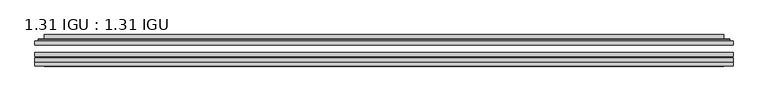
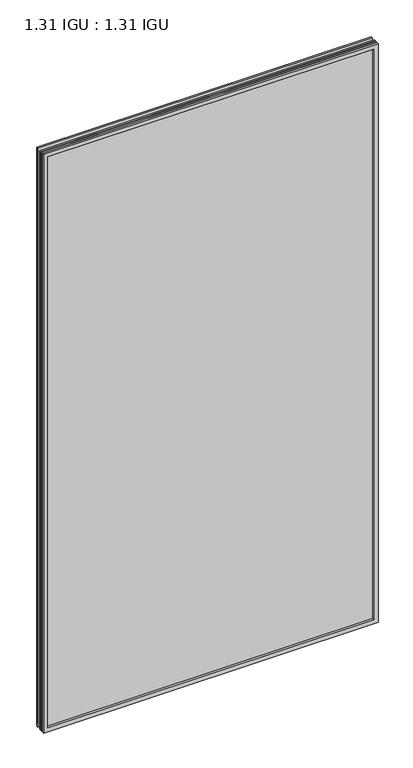
"""IFC4 building model written with IfcOpenShell, lengths in millimetres: plate geometry, 1.31 IGU : 1.31 IGU."""

from ifc_helpers import new_model, si_unit, frame, origin, place, context, project, spatial, polyline, ellipse_curve, outline, extrude, faceted_brep, source, transform, mapped, element, save
from ifc_brep_helpers import plane_surface, cylinder_surface, advanced_brep


def plate_1_31_igu_1_31_igu_55e64a05(model_context):
    return source(origin(), model_context, "Body", "SolidModel", [
        extrude(outline(polyline([(549.289175, -63.59525), (549.289175, -69.94525), (-549.275, -69.94525), (-549.275, -63.59525), (549.289175, -63.59525)])), frame((0.0, 0.0, -14.2875), z_axis=(0.0, 0.0, 1.0), x_axis=(1.0, 0.0, 0.0)), (0.0, 0.0, 1.0), 2009.8015278),
        extrude(outline(polyline([(-549.275, -78.58125), (-549.275, -72.230745), (549.289175, -72.230745), (549.289175, -78.58125), (-549.275, -78.58125)])), frame((0.0, 0.0, -14.2875), z_axis=(0.0, 0.0, 1.0), x_axis=(1.0, 0.0, 0.0)), (0.0, 0.0, 1.0), 2009.8015278),
        extrude(outline(polyline([(549.289175, -45.25645), (549.289175, -51.60645), (-549.275, -51.60645), (-549.275, -45.25645), (549.289175, -45.25645)])), frame((0.0, 0.0, -14.2875), z_axis=(0.0, 0.0, 1.0), x_axis=(1.0, 0.0, 0.0)), (0.0, 0.0, 1.0), 2009.8015278),
        faceted_brep([(-549.2877, -84.93125, 1995.5229299), (-549.2877, -78.58125, 1995.5229299), (-549.2877, -78.58125, -14.3002), (-549.2877, -84.93125, -14.3002), (549.2877, -78.58125, -14.3002), (549.2877, -84.93125, -14.3002), (549.2877, -78.58125, 1995.5229299), (549.2877, -84.93125, 1995.5229299), (-534.0897559, -78.58125, 0.8977441), (534.0897559, -78.58125, 0.8977441), (534.0897559, -78.58125, 1980.3249858), (-534.0897559, -78.58125, 1980.3249858), (-534.9821902, -84.93125, 1981.2174201), (534.9821902, -84.93125, 1981.2174201), (534.9821902, -84.93125, 0.0053098), (-534.9821902, -84.93125, 0.0053098)], [[[0, 1, 2, 3]], [[3, 2, 4, 5]], [[5, 4, 6, 7]], [[1, 6, 4, 2], [8, 9, 10, 11]], [[7, 6, 1, 0]], [[3, 5, 7, 0], [12, 13, 14, 15]], [[11, 12, 15, 8]], [[8, 15, 14, 9]], [[9, 14, 13, 10]], [[10, 13, 12, 11]]]),
        advanced_brep(
        [(-542.033719, -45.25645, 1988.2689489), (-544.3879244, -43.2667833, 1990.6231543), (-544.3879244, -43.2667833, -9.4004244), (-542.033719, -45.25645, -7.046219), (-532.9593939, -41.416413, 1979.1946238), (-528.0245621, -45.25645, 1974.2597919), (-528.0245621, -45.25645, 6.9629379), (-532.9593939, -41.416413, 2.0281061), (-533.9914217, -36.0191819, 1980.2266515), (-533.9914217, -36.0191819, 0.9960783), (-534.9820784, -35.6202069, 1981.2173083), (-534.9820784, -35.6202069, 0.0054216), (-534.9820784, -42.08145, 1981.2173083), (-534.9820784, -42.08145, 0.0054216), (-543.3861349, -42.08145, 1989.6213648), (-543.3861349, -42.08145, -8.3986349), (544.3879244, -43.2667833, -9.4004244), (542.033719, -45.25645, -7.046219), (528.0245621, -45.25645, 6.9629379), (532.9593939, -41.416413, 2.0281061), (533.9914217, -36.0191819, 0.9960783), (534.9820784, -35.6202069, 0.0054216), (534.9820784, -42.08145, 0.0054216), (543.3861349, -42.08145, -8.3986349), (544.3879244, -43.2667833, 1990.6231543), (542.033719, -45.25645, 1988.2689489), (528.0245621, -45.25645, 1974.2597919), (532.9593939, -41.416413, 1979.1946238), (533.9914217, -36.0191819, 1980.2266515), (534.9820784, -35.6202069, 1981.2173083), (534.9820784, -42.08145, 1981.2173083), (543.3861349, -42.08145, 1989.6213648)],
        [
            (0, 1, ellipse_curve(frame((-542.033719, -42.86885, 1988.2689489), z_axis=(-0.7071067811865475, 0.0, -0.7071067811865475), x_axis=(-0.7071067811865474, 0.0, 0.7071067811865476)), 3.3765763, 2.3876)),
            (1, 2),
            (2, 3, ellipse_curve(frame((-542.033719, -42.86885, -7.046219), z_axis=(-0.7071067811865475, 0.0, 0.7071067811865475), x_axis=(0.7071067811865474, 0.0, 0.7071067811865476)), 3.3765763, 2.3876)),
            (3, 0),
            (4, 5),
            (5, 6),
            (6, 7),
            (7, 4),
            (8, 4),
            (7, 9),
            (9, 8),
            (10, 8, ellipse_curve(frame((-534.6151219, -36.1384423, 1980.8503517), z_axis=(-0.7071067811865475, 0.0, -0.7071067811865475), x_axis=(-0.7071067811865474, 0.0, 0.7071067811865476)), 0.8980256, 0.635)),
            (9, 11, ellipse_curve(frame((-534.6151219, -36.1384423, 0.3723781), z_axis=(-0.7071067811865475, 0.0, 0.7071067811865475), x_axis=(0.7071067811865474, 0.0, 0.7071067811865476)), 0.8980256, 0.635)),
            (11, 10),
            (12, 10),
            (11, 13),
            (13, 12),
            (1, 14, ellipse_curve(frame((-543.3861349, -43.09745, 1989.6213648), z_axis=(-0.7071067811865475, 0.0, -0.7071067811865475), x_axis=(-0.7071067811865474, 0.0, 0.7071067811865476)), 1.436841, 1.016)),
            (14, 15),
            (15, 2, ellipse_curve(frame((-543.3861349, -43.09745, -8.3986349), z_axis=(-0.7071067811865475, 0.0, 0.7071067811865475), x_axis=(0.7071067811865474, 0.0, 0.7071067811865476)), 1.436841, 1.016)),
            (2, 16),
            (16, 17, ellipse_curve(frame((542.033719, -42.86885, -7.046219), z_axis=(-0.7071067811865475, 0.0, -0.7071067811865475), x_axis=(-0.7071067811865476, 0.0, 0.7071067811865474)), 3.3765763, 2.3876)),
            (17, 3),
            (6, 18),
            (18, 19),
            (19, 7),
            (19, 20),
            (20, 9),
            (20, 21, ellipse_curve(frame((534.6151219, -36.1384423, 0.3723781), z_axis=(-0.7071067811865475, 0.0, -0.7071067811865475), x_axis=(-0.7071067811865476, 0.0, 0.7071067811865474)), 0.8980256, 0.635)),
            (21, 11),
            (21, 22),
            (22, 13),
            (15, 23),
            (23, 16, ellipse_curve(frame((543.3861349, -43.09745, -8.3986349), z_axis=(-0.7071067811865475, 0.0, -0.7071067811865475), x_axis=(-0.7071067811865476, 0.0, 0.7071067811865474)), 1.436841, 1.016)),
            (16, 24),
            (24, 25, ellipse_curve(frame((542.033719, -42.86885, 1988.2689489), z_axis=(0.7071067811865475, 0.0, -0.7071067811865475), x_axis=(-0.7071067811865474, 0.0, -0.7071067811865476)), 3.3765763, 2.3876)),
            (25, 17),
            (18, 26),
            (26, 27),
            (27, 19),
            (27, 28),
            (28, 20),
            (28, 29, ellipse_curve(frame((534.6151219, -36.1384423, 1980.8503517), z_axis=(0.7071067811865475, 0.0, -0.7071067811865475), x_axis=(-0.7071067811865474, 0.0, -0.7071067811865476)), 0.8980256, 0.635)),
            (29, 21),
            (29, 30),
            (30, 22),
            (23, 31),
            (31, 24, ellipse_curve(frame((543.3861349, -43.09745, 1989.6213648), z_axis=(0.7071067811865475, 0.0, -0.7071067811865475), x_axis=(-0.7071067811865474, 0.0, -0.7071067811865476)), 1.436841, 1.016)),
            (24, 1),
            (0, 25),
            (5, 26),
            (4, 27),
            (8, 28),
            (10, 29),
            (12, 30),
            (14, 31),
        ],
        [
            cylinder_surface(frame((-542.033719, -42.86885, 2012.9727299), z_axis=(0.0, 0.0, 1.0), x_axis=(-1.0, 0.0, 0.0)), 2.3876),
            plane_surface(frame((-528.0245621, -45.25645, 1974.2597919), z_axis=(0.6141233906514794, 0.7892100234124821, 0.0), x_axis=(0.0, 0.0, -1.0))),
            plane_surface(frame((-532.9593939, -41.416413, 1979.1946238), z_axis=(0.9822050625507729, 0.18781164793386076, 0.0), x_axis=(0.0, 0.0, -1.0))),
            cylinder_surface(frame((-534.6151219, -36.1384423, 2012.9727299), z_axis=(0.0, 0.0, 1.0), x_axis=(-1.0, 0.0, 0.0)), 0.635),
            plane_surface(frame((-534.9820784, -35.6202069, 1981.2173083), z_axis=(-1.0, 0.0, 0.0), x_axis=(0.0, 0.0, -1.0))),
            cylinder_surface(frame((-543.3861349, -43.09745, 2012.9727299), z_axis=(0.0, 0.0, 1.0), x_axis=(-1.0, 0.0, 0.0)), 1.016),
            cylinder_surface(frame((-566.7375, -42.86885, -7.046219), z_axis=(-1.0, 0.0, 0.0), x_axis=(0.0, 0.0, -1.0)), 2.3876),
            plane_surface(frame((-528.0245621, -45.25645, 6.9629379), z_axis=(0.0, 0.7892100234124841, 0.6141233906514768), x_axis=(1.0, 0.0, 0.0))),
            plane_surface(frame((-532.9593939, -41.416413, 2.0281061), z_axis=(0.0, 0.18781164793386393, 0.9822050625507723), x_axis=(1.0, 0.0, 0.0))),
            cylinder_surface(frame((-566.7375, -36.1384423, 0.3723781), z_axis=(-1.0, 0.0, 0.0), x_axis=(0.0, 0.0, -1.0)), 0.635),
            plane_surface(frame((-534.9820784, -35.6202069, 0.0054216), z_axis=(0.0, 0.0, -1.0), x_axis=(1.0, 0.0, 0.0))),
            cylinder_surface(frame((-566.7375, -43.09745, -8.3986349), z_axis=(-1.0, 0.0, 0.0), x_axis=(0.0, 0.0, -1.0)), 1.016),
            cylinder_surface(frame((542.033719, -42.86885, -31.75), z_axis=(0.0, 0.0, -1.0), x_axis=(1.0, 0.0, 0.0)), 2.3876),
            plane_surface(frame((528.0245621, -45.25645, 6.9629379), z_axis=(-0.6141233906514743, 0.7892100234124861, 0.0), x_axis=(0.0, 0.0, 1.0))),
            plane_surface(frame((532.9593939, -41.416413, 2.0281061), z_axis=(-0.9822050625507718, 0.1878116479338671, 0.0), x_axis=(0.0, 0.0, 1.0))),
            cylinder_surface(frame((534.6151219, -36.1384423, -31.75), z_axis=(0.0, 0.0, -1.0), x_axis=(1.0, 0.0, 0.0)), 0.635),
            plane_surface(frame((534.9820784, -35.6202069, 0.0054216), z_axis=(1.0, 0.0, 0.0), x_axis=(0.0, 0.0, 1.0))),
            cylinder_surface(frame((543.3861349, -43.09745, -31.75), z_axis=(0.0, 0.0, -1.0), x_axis=(1.0, 0.0, 0.0)), 1.016),
            cylinder_surface(frame((566.7375, -42.86885, 1988.2689489), z_axis=(1.0, 0.0, 0.0), x_axis=(0.0, 0.0, 1.0)), 2.3876),
            plane_surface(frame((542.033719, -45.25645, 1988.2689489), z_axis=(0.0, -1.0, 0.0), x_axis=(-1.0, 0.0, 0.0))),
            plane_surface(frame((528.0245621, -45.25645, 1974.2597919), z_axis=(0.0, 0.7892100234124841, -0.6141233906514768), x_axis=(-1.0, 0.0, 0.0))),
            plane_surface(frame((532.9593939, -41.416413, 1979.1946238), z_axis=(0.0, 0.18781164793386393, -0.9822050625507723), x_axis=(-1.0, 0.0, 0.0))),
            cylinder_surface(frame((566.7375, -36.1384423, 1980.8503517), z_axis=(1.0, 0.0, 0.0), x_axis=(0.0, 0.0, 1.0)), 0.635),
            plane_surface(frame((534.9820784, -35.6202069, 1981.2173083), z_axis=(0.0, 0.0, 1.0), x_axis=(-1.0, 0.0, 0.0))),
            plane_surface(frame((534.9820784, -42.08145, 1981.2173083), z_axis=(0.0, 1.0, 0.0), x_axis=(-1.0, 0.0, 0.0))),
            cylinder_surface(frame((566.7375, -43.09745, 1989.6213648), z_axis=(1.0, 0.0, 0.0), x_axis=(0.0, 0.0, 1.0)), 1.016),
        ],
        [
            (0, [[1, 2, 3, 4]]),
            (1, [[5, 6, 7, 8]]),
            (2, [[9, -8, 10, 11]]),
            (3, [[12, -11, 13, 14]]),
            (4, [[15, -14, 16, 17]]),
            (5, [[18, 19, 20, -2]]),
            (6, [[-3, 21, 22, 23]]),
            (7, [[-7, 24, 25, 26]]),
            (8, [[-10, -26, 27, 28]]),
            (9, [[-13, -28, 29, 30]]),
            (10, [[-16, -30, 31, 32]]),
            (11, [[-20, 33, 34, -21]]),
            (12, [[-22, 35, 36, 37]]),
            (13, [[-25, 38, 39, 40]]),
            (14, [[-27, -40, 41, 42]]),
            (15, [[-29, -42, 43, 44]]),
            (16, [[-31, -44, 45, 46]]),
            (17, [[-34, 47, 48, -35]]),
            (18, [[-36, 49, -1, 50]]),
            (19, [[-23, -37, -50, -4], [51, -38, -24, -6]]),
            (20, [[-39, -51, -5, 52]]),
            (21, [[-41, -52, -9, 53]]),
            (22, [[-43, -53, -12, 54]]),
            (23, [[-45, -54, -15, 55]]),
            (24, [[56, -47, -33, -19], [-32, -46, -55, -17]]),
            (25, [[-48, -56, -18, -49]]),
        ],
    ),
    ])


if __name__ == "__main__":
    model = new_model("IFC4")
    model_context = context("Model", 3, world=origin())
    ifc_project = project(units=[si_unit("LENGTHUNIT", "METRE", prefix="MILLI")], contexts=[model_context])
    site = spatial("IfcSite", under=ifc_project)
    building = spatial("IfcBuilding", under=site)
    placement = place(None, origin())
    plate_1_31_igu_1_31_igu_shape = plate_1_31_igu_1_31_igu_55e64a05(model_context)
    element("IfcPlate", 1, ObjectType="1.31 IGU : 1.31 IGU", at=placement, inside=building, context=model_context, shape_type="MappedRepresentation", body=[
        mapped(plate_1_31_igu_1_31_igu_shape, transform((0.0, 0.0, 0.0), x_axis=(1.0, 0.0, 0.0), y_axis=(0.0, 1.0, 0.0), z_axis=(0.0, 0.0, 1.0))),
    ])
    save(model, "model.ifc")
